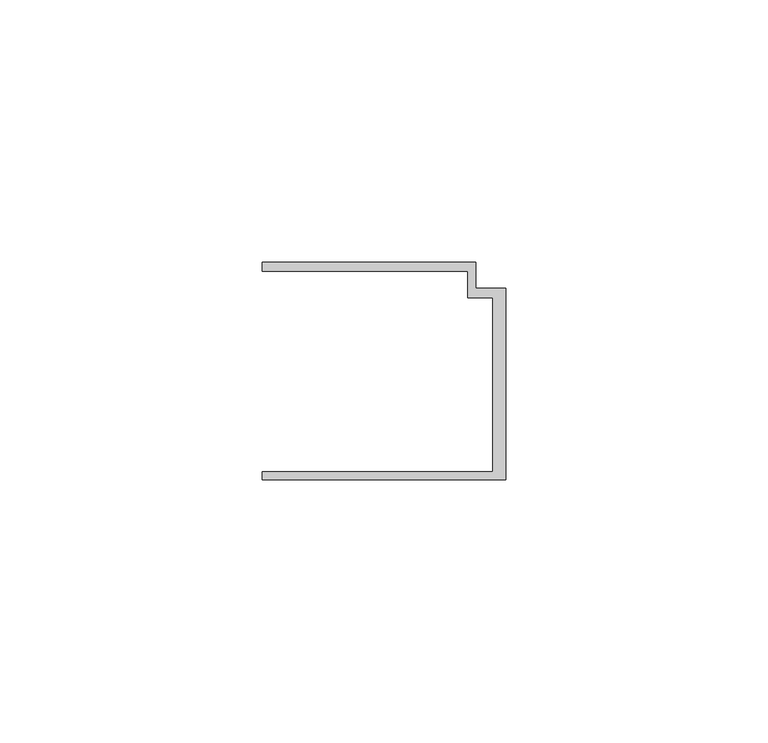
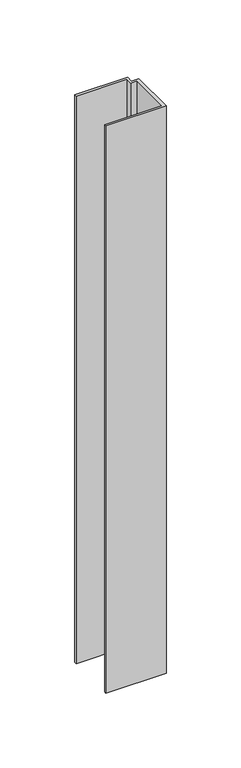
"""IFC4 building model written with IfcOpenShell, lengths in millimetres: member geometry."""

from ifc_helpers import new_model, si_unit, frame, origin, place, context, project, spatial, polyline, outline, extrude, source, transform, mapped, element, save


def member_91f1bb70(model_context):
    return source(origin(), model_context, "Body", "SweptSolid", [
        extrude(outline(polyline([(-46.3, -19.2), (-2.4, -19.2), (-2.4, 14.0), (-7.2, 14.0), (-7.2, 19.0), (-46.3, 19.0), (-46.3, 20.7), (-5.6999992, 20.7), (-5.6999992, 15.8), (0.0, 15.8), (0.0, -20.7), (-46.3, -20.7), (-46.3, -19.2)])), frame((0.0, 0.0, -462.1620087), z_axis=(0.0, 0.0, 1.0), x_axis=(1.0, 0.0, 0.0)), (0.0, 0.0, 1.0), 462.1620087),
    ])


if __name__ == "__main__":
    model = new_model("IFC4")
    model_context = context("Model", 3, world=origin())
    ifc_project = project(units=[si_unit("LENGTHUNIT", "METRE", prefix="MILLI")], contexts=[model_context])
    site = spatial("IfcSite", under=ifc_project)
    building = spatial("IfcBuilding", under=site)
    placement = place(None, origin())
    member_shape = member_91f1bb70(model_context)
    element("IfcMember", 1, at=placement, inside=building, context=model_context, shape_type="MappedRepresentation", body=[
        mapped(member_shape, transform((0.0, 0.0, 0.0), x_axis=(1.0, 0.0, 0.0), y_axis=(0.0, 1.0, 0.0), z_axis=(0.0, 0.0, 1.0))),
    ])
    save(model, "model.ifc")
